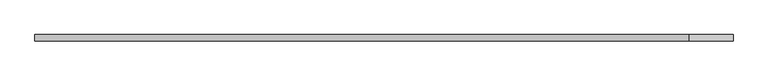
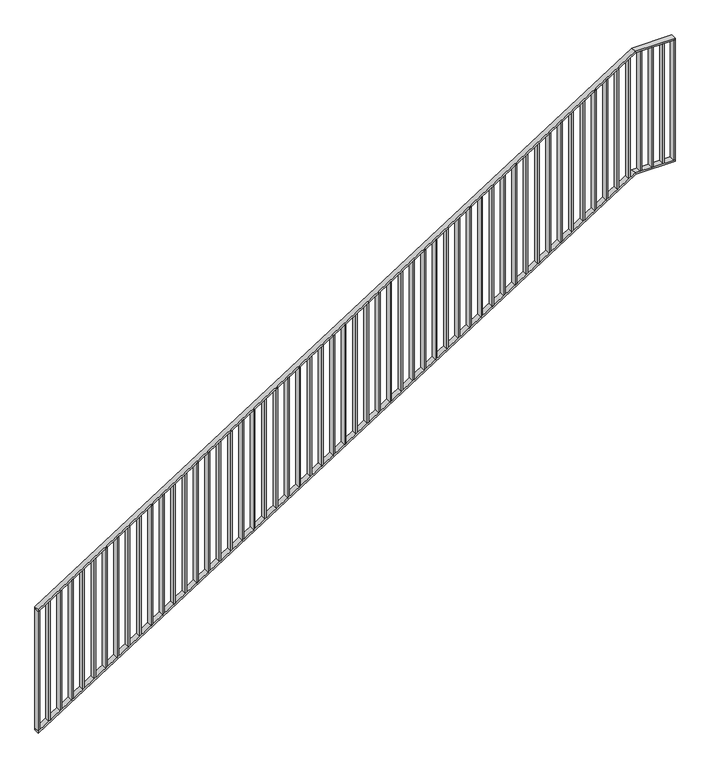
"""IFC4 building model written with IfcOpenShell, lengths in millimetres: railing geometry."""

import ifcopenshell
import ifcopenshell.guid

model = None  # the IFC model being written
_history = None  # IfcOwnerHistory: only IFC2X3 demands one
_inside = {}  # id of a spatial element -> (the spatial element, [elements in it])
_under = {}  # id of a project, library or spatial element -> (it, [spatial elements below it])
_declared = {}  # id of a project -> (the project, [libraries it declares])
_typed = {}  # id of a type object -> (the type object, [elements of that type])
_made_of = {}  # id of a material, layer set ... -> (it, [elements and type objects made of it])


def new_model(schema):
    """Start an empty IFC model of exactly this schema.

    Asked for "IFC4X3", IfcOpenShell would pick the latest addendum, in which some entities
    have other attributes; the version numbers below select the first issue.
    IFC2X3 requires an IfcOwnerHistory on every rooted entity: one is made here for all.
    """
    global model, _history
    if schema == "IFC4X3":
        model = ifcopenshell.file(schema_version=(4, 3, 0, 0))
    else:
        model = ifcopenshell.file(schema=schema)
    _inside.clear()
    _under.clear()
    _declared.clear()
    _typed.clear()
    _made_of.clear()
    _history = None
    if model.schema == "IFC2X3":
        org = make("IfcOrganization", Name="unknown")
        user = make(
            "IfcPersonAndOrganization",
            ThePerson=make("IfcPerson", FamilyName="unknown"),
            TheOrganization=org,
        )
        app = make(
            "IfcApplication",
            ApplicationDeveloper=org,
            Version="unknown",
            ApplicationFullName="unknown",
            ApplicationIdentifier="unknown",
        )
        _history = make(
            "IfcOwnerHistory",
            OwningUser=user,
            OwningApplication=app,
            ChangeAction="ADDED",
            CreationDate=0,
        )
    return model


def make(cls, **values):
    """One entity of the class cls with the attributes given. An attribute that is None is left unset."""
    return model.create_entity(
        cls, **{name: value for name, value in values.items() if value is not None}
    )


def rooted(cls, **values):
    """An entity with a GlobalId (a new one), such as an element, a storey or a relation."""
    return make(cls, GlobalId=ifcopenshell.guid.new(), OwnerHistory=_history, **values)


def si_unit(unit_type, name, prefix=None):
    """IfcSIUnit, for example si_unit("LENGTHUNIT", "METRE", prefix="MILLI")."""
    return make("IfcSIUnit", UnitType=unit_type, Prefix=prefix, Name=name)


def assignment(units):
    """IfcUnitAssignment: the units of a project."""
    return None if units is None else make("IfcUnitAssignment", Units=units)


def point(xyz):
    """IfcCartesianPoint."""
    return None if xyz is None else make("IfcCartesianPoint", Coordinates=xyz)


def direction(xyz):
    """IfcDirection."""
    return None if xyz is None else make("IfcDirection", DirectionRatios=xyz)


def frame(location, z_axis=None, x_axis=None):
    """IfcAxis2Placement3D, a coordinate frame: its origin and axes. An axis left out is left unset."""
    return make(
        "IfcAxis2Placement3D",
        Location=point(location),
        Axis=direction(z_axis),
        RefDirection=direction(x_axis),
    )


def origin():
    """The frame at (0, 0, 0) with its axes left unset."""
    return frame((0.0, 0.0, 0.0))


def place(relative_to, where):
    """IfcLocalPlacement: puts the frame where relative to a parent placement (None: the world)."""
    return make(
        "IfcLocalPlacement", PlacementRelTo=relative_to, RelativePlacement=where
    )


def context(
    kind, dimensions, precision=None, world=None, true_north=None, identifier=None
):
    """IfcGeometricRepresentationContext, for example the 3D "Model" context."""
    return make(
        "IfcGeometricRepresentationContext",
        ContextIdentifier=identifier,
        ContextType=kind,
        CoordinateSpaceDimension=dimensions,
        Precision=precision,
        WorldCoordinateSystem=world,
        TrueNorth=true_north,
    )


def project(units=None, contexts=None):
    """IfcProject with its units and contexts."""
    return rooted(
        "IfcProject",
        Name="project",
        RepresentationContexts=contexts,
        UnitsInContext=assignment(units),
    )


def spatial(cls, under=None, at=None, **own):
    """A site, building, storey or space (cls), placed at a placement, below another one or the project."""
    s = rooted(cls, ObjectPlacement=at, **own)
    if under is not None:
        _under.setdefault(under.id(), (under, []))[1].append(s)
    return s


def polyline(points):
    """IfcPolyline through the points."""
    return make("IfcPolyline", Points=[point(p) for p in points])


def outline(outer, holes=None, kind="AREA"):
    """IfcArbitraryClosedProfileDef: a profile drawn as a closed curve; with holes, ...WithVoids."""
    if holes is None:
        return make("IfcArbitraryClosedProfileDef", ProfileType=kind, OuterCurve=outer)
    return make(
        "IfcArbitraryProfileDefWithVoids",
        ProfileType=kind,
        OuterCurve=outer,
        InnerCurves=holes,
    )


def extrude(swept, where, along, depth):
    """IfcExtrudedAreaSolid: the profile swept, set in the frame where, extruded along a direction by depth."""
    return make(
        "IfcExtrudedAreaSolid",
        SweptArea=swept,
        Position=where,
        ExtrudedDirection=direction(along),
        Depth=depth,
    )


def faces_of(points, faces, orient=None, outer=None):
    """IfcFace entities. A face is a list of loops; a loop is a list of indices into points, from 0.

    orient and outer hold one flag for each loop. By default every Orientation is true, the
    first loop of a face is its IfcFaceOuterBound and the others are IfcFaceBound.
    """
    made = []
    for i, loops in enumerate(faces):
        bounds = []
        for j, loop in enumerate(loops):
            is_outer = j == 0 if outer is None else outer[i][j]
            bounds.append(
                make(
                    "IfcFaceOuterBound" if is_outer else "IfcFaceBound",
                    Bound=make("IfcPolyLoop", Polygon=[points[k] for k in loop]),
                    Orientation=True if orient is None else orient[i][j],
                )
            )
        made.append(make("IfcFace", Bounds=bounds))
    return made


def faceted_brep(points, faces, orient=None, outer=None, voids=None):
    """IfcFacetedBrep: a solid bounded by flat faces; with voids (closed shells), ...WithVoids."""
    shared = [point(p) for p in points]
    hull = make("IfcClosedShell", CfsFaces=faces_of(shared, faces, orient, outer))
    if voids is None:
        return make("IfcFacetedBrep", Outer=hull)
    return make(
        "IfcFacetedBrepWithVoids",
        Outer=hull,
        Voids=[
            make(cls, CfsFaces=faces_of(shared, fs, o, b)) for cls, fs, o, b in voids
        ],
    )


def shape(context_of_items, identifier, shape_type, items):
    """IfcShapeRepresentation: the items that make up one representation, for example the "Body"."""
    return make(
        "IfcShapeRepresentation",
        ContextOfItems=context_of_items,
        RepresentationIdentifier=identifier,
        RepresentationType=shape_type,
        Items=items,
    )


def source(mapping_origin, context_of_items, identifier, shape_type, items):
    """IfcRepresentationMap: a shape defined once, which mapped items show again and again."""
    return make(
        "IfcRepresentationMap",
        MappingOrigin=mapping_origin,
        MappedRepresentation=shape(context_of_items, identifier, shape_type, items),
    )


def transform(
    local_origin,
    x_axis=None,
    y_axis=None,
    z_axis=None,
    scale=None,
    scale2=None,
    scale3=None,
    uniform=True,
):
    """IfcCartesianTransformationOperator3D, or its non-uniform kind. x_axis, y_axis, z_axis: its Axis1, 2, 3."""
    if uniform:
        return make(
            "IfcCartesianTransformationOperator3D",
            Axis1=direction(x_axis),
            Axis2=direction(y_axis),
            LocalOrigin=point(local_origin),
            Scale=scale,
            Axis3=direction(z_axis),
        )
    return make(
        "IfcCartesianTransformationOperator3DnonUniform",
        Axis1=direction(x_axis),
        Axis2=direction(y_axis),
        LocalOrigin=point(local_origin),
        Scale=scale,
        Axis3=direction(z_axis),
        Scale2=scale2,
        Scale3=scale3,
    )


def mapped(mapping_source, mapping_target):
    """IfcMappedItem: shows the shape of a source again, moved by a transform."""
    return make(
        "IfcMappedItem", MappingSource=mapping_source, MappingTarget=mapping_target
    )


def made_of(thing, what):
    """Note that an element or type object is made of a material, layer set ...; save() writes the relation."""
    if what is not None:
        _made_of.setdefault(what.id(), (what, []))[1].append(thing)
    return thing


def element(
    cls,
    number,
    at=None,
    inside=None,
    cuts=None,
    type_object=None,
    material=None,
    context=None,
    identifier="Body",
    shape_type=None,
    held_by="IfcProductDefinitionShape",
    body=None,
    shapes=None,
    **own,
):
    """One element of the class cls, such as IfcWall. Its Tag is "e" and its number.

    at: its placement. inside: the storey or other place that contains it. cuts: it is an
    opening in that element (IfcRelVoidsElement). A single representation is given by context,
    identifier, shape_type and body (its items); several are given by shapes. held_by: the class
    of the entity that holds the representations. save() writes the other relations.
    """
    e = rooted(cls, Tag="e%d" % number, ObjectPlacement=at, **own)
    if body is not None:
        shapes = [shape(context, identifier, shape_type, body)]
    if shapes is not None:
        e.Representation = make(held_by, Representations=shapes)
    if inside is not None:
        _inside.setdefault(inside.id(), (inside, []))[1].append(e)
    if cuts is not None:
        rooted(
            "IfcRelVoidsElement", RelatingBuildingElement=cuts, RelatedOpeningElement=e
        )
    if type_object is not None:
        _typed.setdefault(type_object.id(), (type_object, []))[1].append(e)
    return made_of(e, material)


def aggregate(whole, parts):
    """IfcRelAggregates: a whole, such as a stair, and the parts it consists of."""
    return rooted("IfcRelAggregates", RelatingObject=whole, RelatedObjects=parts)


def save(model, path):
    """Write the relations noted so far, then the file.

    IfcRelAggregates (storeys below a building ...), IfcRelContainedInSpatialStructure (elements
    in a storey), IfcRelDefinesByType, IfcRelAssociatesMaterial and IfcRelDeclares: one each for
    every whole, place, type object, material and project.
    """
    for whole, parts in _under.values():
        aggregate(whole, parts)
    for where, things in _inside.values():
        rooted(
            "IfcRelContainedInSpatialStructure",
            RelatedElements=things,
            RelatingStructure=where,
        )
    for kind, things in _typed.values():
        rooted("IfcRelDefinesByType", RelatedObjects=things, RelatingType=kind)
    for what, things in _made_of.values():
        rooted("IfcRelAssociatesMaterial", RelatedObjects=things, RelatingMaterial=what)
    for by, libraries in _declared.values():
        rooted("IfcRelDeclares", RelatingContext=by, RelatedDefinitions=libraries)
    model.write(path)


def railing_b2394c91(model_context):
    return source(origin(), model_context, "Body", "SolidModel", [
        faceted_brep([(90020.0, -14.6, 1178.125), (90020.0, 25.4, 1178.125), (90020.0, 25.4, 1166.2576574), (90020.0, -14.6, 1166.2576574), (94201.25, -14.6, 3850.0), (94201.25, 25.4, 3850.0), (94204.1722273, 25.4, 3840.0), (94204.1722273, -14.6, 3840.0), (94480.0, -14.6, 3850.0), (94480.0, -14.6, 3840.0), (94480.0, 25.4, 3840.0), (94480.0, 25.4, 3850.0)], [[[0, 1, 2, 3]], [[1, 0, 4, 5]], [[2, 1, 5, 6]], [[3, 2, 6, 7]], [[0, 3, 7, 4]], [[8, 9, 10, 11]], [[5, 4, 8, 11]], [[6, 5, 11, 10]], [[7, 6, 10, 9]], [[4, 7, 9, 8]]]),
        faceted_brep([(90020.0, -14.6, 278.125), (90020.0, 25.4, 278.125), (90020.0, 25.4, 266.2576574), (90020.0, -14.6, 266.2576574), (94201.25, -14.6, 2950.0), (94201.25, 25.4, 2950.0), (94204.1722273, 25.4, 2940.0), (94204.1722273, -14.6, 2940.0), (94480.0, -14.6, 2950.0), (94480.0, -14.6, 2940.0), (94480.0, 25.4, 2940.0), (94480.0, 25.4, 2950.0)], [[[0, 1, 2, 3]], [[1, 0, 4, 5]], [[2, 1, 5, 6]], [[3, 2, 6, 7]], [[0, 3, 7, 4]], [[8, 9, 10, 11]], [[5, 4, 8, 11]], [[6, 5, 11, 10]], [[7, 6, 10, 9]], [[4, 7, 9, 8]]]),
        extrude(outline(polyline([(94395.3571429, -14.6), (94395.3571429, 25.4), (94405.3571429, 25.4), (94405.3571429, -14.6), (94395.3571429, -14.6)])), frame((0.0, 0.0, 2950.0), z_axis=(0.0, 0.0, 1.0), x_axis=(1.0, 0.0, 0.0)), (0.0, 0.0, 1.0), 890.0),
        extrude(outline(polyline([(94315.7142857, -14.6), (94315.7142857, 25.4), (94325.7142857, 25.4), (94325.7142857, -14.6), (94315.7142857, -14.6)])), frame((0.0, 0.0, 2950.0), z_axis=(0.0, 0.0, 1.0), x_axis=(1.0, 0.0, 0.0)), (0.0, 0.0, 1.0), 890.0),
        extrude(outline(polyline([(94236.0714286, -14.6), (94236.0714286, 25.4), (94246.0714286, 25.4), (94246.0714286, -14.6), (94236.0714286, -14.6)])), frame((0.0, 0.0, 2950.0), z_axis=(0.0, 0.0, 1.0), x_axis=(1.0, 0.0, 0.0)), (0.0, 0.0, 1.0), 890.0),
        extrude(outline(polyline([(3811.3585042, 94156.4285714), (2921.3585042, 94156.4285714), (2927.7486387, 94166.4285714), (3817.7486387, 94166.4285714), (3811.3585042, 94156.4285714)])), frame((0.0, -14.6, 0.0), z_axis=(0.0, 1.0, 0.0), x_axis=(0.0, 0.0, 1.0)), (0.0, 0.0, 1.0), 40.0),
        extrude(outline(polyline([(3760.465647, 94076.7857143), (2870.465647, 94076.7857143), (2876.8557816, 94086.7857143), (3766.8557816, 94086.7857143), (3760.465647, 94076.7857143)])), frame((0.0, -14.6, 0.0), z_axis=(0.0, 1.0, 0.0), x_axis=(0.0, 0.0, 1.0)), (0.0, 0.0, 1.0), 40.0),
        extrude(outline(polyline([(3709.5727899, 93997.1428571), (2819.5727899, 93997.1428571), (2825.9629244, 94007.1428571), (3715.9629244, 94007.1428571), (3709.5727899, 93997.1428571)])), frame((0.0, -14.6, 0.0), z_axis=(0.0, 1.0, 0.0), x_axis=(0.0, 0.0, 1.0)), (0.0, 0.0, 1.0), 40.0),
        extrude(outline(polyline([(3658.6799327, 93917.5), (2768.6799327, 93917.5), (2775.0700673, 93927.5), (3665.0700673, 93927.5), (3658.6799327, 93917.5)])), frame((0.0, -14.6, 0.0), z_axis=(0.0, 1.0, 0.0), x_axis=(0.0, 0.0, 1.0)), (0.0, 0.0, 1.0), 40.0),
        extrude(outline(polyline([(3607.7870756, 93837.8571429), (2717.7870756, 93837.8571429), (2724.1772101, 93847.8571429), (3614.1772101, 93847.8571429), (3607.7870756, 93837.8571429)])), frame((0.0, -14.6, 0.0), z_axis=(0.0, 1.0, 0.0), x_axis=(0.0, 0.0, 1.0)), (0.0, 0.0, 1.0), 40.0),
        extrude(outline(polyline([(3556.8942184, 93758.2142857), (2666.8942184, 93758.2142857), (2673.284353, 93768.2142857), (3563.284353, 93768.2142857), (3556.8942184, 93758.2142857)])), frame((0.0, -14.6, 0.0), z_axis=(0.0, 1.0, 0.0), x_axis=(0.0, 0.0, 1.0)), (0.0, 0.0, 1.0), 40.0),
        extrude(outline(polyline([(3506.0013613, 93678.5714286), (2616.0013613, 93678.5714286), (2622.3914958, 93688.5714286), (3512.3914958, 93688.5714286), (3506.0013613, 93678.5714286)])), frame((0.0, -14.6, 0.0), z_axis=(0.0, 1.0, 0.0), x_axis=(0.0, 0.0, 1.0)), (0.0, 0.0, 1.0), 40.0),
        extrude(outline(polyline([(3455.1085042, 93598.9285714), (2565.1085042, 93598.9285714), (2571.4986387, 93608.9285714), (3461.4986387, 93608.9285714), (3455.1085042, 93598.9285714)])), frame((0.0, -14.6, 0.0), z_axis=(0.0, 1.0, 0.0), x_axis=(0.0, 0.0, 1.0)), (0.0, 0.0, 1.0), 40.0),
        extrude(outline(polyline([(3404.215647, 93519.2857143), (2514.215647, 93519.2857143), (2520.6057816, 93529.2857143), (3410.6057816, 93529.2857143), (3404.215647, 93519.2857143)])), frame((0.0, -14.6, 0.0), z_axis=(0.0, 1.0, 0.0), x_axis=(0.0, 0.0, 1.0)), (0.0, 0.0, 1.0), 40.0),
        extrude(outline(polyline([(3353.3227899, 93439.6428571), (2463.3227899, 93439.6428571), (2469.7129244, 93449.6428571), (3359.7129244, 93449.6428571), (3353.3227899, 93439.6428571)])), frame((0.0, -14.6, 0.0), z_axis=(0.0, 1.0, 0.0), x_axis=(0.0, 0.0, 1.0)), (0.0, 0.0, 1.0), 40.0),
        extrude(outline(polyline([(3302.4299327, 93360.0), (2412.4299327, 93360.0), (2418.8200673, 93370.0), (3308.8200673, 93370.0), (3302.4299327, 93360.0)])), frame((0.0, -14.6, 0.0), z_axis=(0.0, 1.0, 0.0), x_axis=(0.0, 0.0, 1.0)), (0.0, 0.0, 1.0), 40.0),
        extrude(outline(polyline([(3251.5370756, 93280.3571429), (2361.5370756, 93280.3571429), (2367.9272101, 93290.3571429), (3257.9272101, 93290.3571429), (3251.5370756, 93280.3571429)])), frame((0.0, -14.6, 0.0), z_axis=(0.0, 1.0, 0.0), x_axis=(0.0, 0.0, 1.0)), (0.0, 0.0, 1.0), 40.0),
        extrude(outline(polyline([(3200.6442184, 93200.7142857), (2310.6442184, 93200.7142857), (2317.034353, 93210.7142857), (3207.034353, 93210.7142857), (3200.6442184, 93200.7142857)])), frame((0.0, -14.6, 0.0), z_axis=(0.0, 1.0, 0.0), x_axis=(0.0, 0.0, 1.0)), (0.0, 0.0, 1.0), 40.0),
        extrude(outline(polyline([(3149.7513613, 93121.0714286), (2259.7513613, 93121.0714286), (2266.1414958, 93131.0714286), (3156.1414958, 93131.0714286), (3149.7513613, 93121.0714286)])), frame((0.0, -14.6, 0.0), z_axis=(0.0, 1.0, 0.0), x_axis=(0.0, 0.0, 1.0)), (0.0, 0.0, 1.0), 40.0),
        extrude(outline(polyline([(3098.8585042, 93041.4285714), (2208.8585042, 93041.4285714), (2215.2486387, 93051.4285714), (3105.2486387, 93051.4285714), (3098.8585042, 93041.4285714)])), frame((0.0, -14.6, 0.0), z_axis=(0.0, 1.0, 0.0), x_axis=(0.0, 0.0, 1.0)), (0.0, 0.0, 1.0), 40.0),
        extrude(outline(polyline([(3047.965647, 92961.7857143), (2157.965647, 92961.7857143), (2164.3557816, 92971.7857143), (3054.3557816, 92971.7857143), (3047.965647, 92961.7857143)])), frame((0.0, -14.6, 0.0), z_axis=(0.0, 1.0, 0.0), x_axis=(0.0, 0.0, 1.0)), (0.0, 0.0, 1.0), 40.0),
        extrude(outline(polyline([(2997.0727899, 92882.1428571), (2107.0727899, 92882.1428571), (2113.4629244, 92892.1428571), (3003.4629244, 92892.1428571), (2997.0727899, 92882.1428571)])), frame((0.0, -14.6, 0.0), z_axis=(0.0, 1.0, 0.0), x_axis=(0.0, 0.0, 1.0)), (0.0, 0.0, 1.0), 40.0),
        extrude(outline(polyline([(2946.1799327, 92802.5), (2056.1799327, 92802.5), (2062.5700673, 92812.5), (2952.5700673, 92812.5), (2946.1799327, 92802.5)])), frame((0.0, -14.6, 0.0), z_axis=(0.0, 1.0, 0.0), x_axis=(0.0, 0.0, 1.0)), (0.0, 0.0, 1.0), 40.0),
        extrude(outline(polyline([(2895.2870756, 92722.8571429), (2005.2870756, 92722.8571429), (2011.6772101, 92732.8571429), (2901.6772101, 92732.8571429), (2895.2870756, 92722.8571429)])), frame((0.0, -14.6, 0.0), z_axis=(0.0, 1.0, 0.0), x_axis=(0.0, 0.0, 1.0)), (0.0, 0.0, 1.0), 40.0),
        extrude(outline(polyline([(2844.3942184, 92643.2142857), (1954.3942184, 92643.2142857), (1960.784353, 92653.2142857), (2850.784353, 92653.2142857), (2844.3942184, 92643.2142857)])), frame((0.0, -14.6, 0.0), z_axis=(0.0, 1.0, 0.0), x_axis=(0.0, 0.0, 1.0)), (0.0, 0.0, 1.0), 40.0),
        extrude(outline(polyline([(2793.5013613, 92563.5714286), (1903.5013613, 92563.5714286), (1909.8914958, 92573.5714286), (2799.8914958, 92573.5714286), (2793.5013613, 92563.5714286)])), frame((0.0, -14.6, 0.0), z_axis=(0.0, 1.0, 0.0), x_axis=(0.0, 0.0, 1.0)), (0.0, 0.0, 1.0), 40.0),
        extrude(outline(polyline([(2742.6085042, 92483.9285714), (1852.6085042, 92483.9285714), (1858.9986387, 92493.9285714), (2748.9986387, 92493.9285714), (2742.6085042, 92483.9285714)])), frame((0.0, -14.6, 0.0), z_axis=(0.0, 1.0, 0.0), x_axis=(0.0, 0.0, 1.0)), (0.0, 0.0, 1.0), 40.0),
        extrude(outline(polyline([(2691.715647, 92404.2857143), (1801.715647, 92404.2857143), (1808.1057816, 92414.2857143), (2698.1057816, 92414.2857143), (2691.715647, 92404.2857143)])), frame((0.0, -14.6, 0.0), z_axis=(0.0, 1.0, 0.0), x_axis=(0.0, 0.0, 1.0)), (0.0, 0.0, 1.0), 40.0),
        extrude(outline(polyline([(2640.8227899, 92324.6428571), (1750.8227899, 92324.6428571), (1757.2129244, 92334.6428571), (2647.2129244, 92334.6428571), (2640.8227899, 92324.6428571)])), frame((0.0, -14.6, 0.0), z_axis=(0.0, 1.0, 0.0), x_axis=(0.0, 0.0, 1.0)), (0.0, 0.0, 1.0), 40.0),
        extrude(outline(polyline([(2589.9299327, 92245.0), (1699.9299327, 92245.0), (1706.3200673, 92255.0), (2596.3200673, 92255.0), (2589.9299327, 92245.0)])), frame((0.0, -14.6, 0.0), z_axis=(0.0, 1.0, 0.0), x_axis=(0.0, 0.0, 1.0)), (0.0, 0.0, 1.0), 40.0),
        extrude(outline(polyline([(2539.0370756, 92165.3571429), (1649.0370756, 92165.3571429), (1655.4272101, 92175.3571429), (2545.4272101, 92175.3571429), (2539.0370756, 92165.3571429)])), frame((0.0, -14.6, 0.0), z_axis=(0.0, 1.0, 0.0), x_axis=(0.0, 0.0, 1.0)), (0.0, 0.0, 1.0), 40.0),
        extrude(outline(polyline([(2488.1442184, 92085.7142857), (1598.1442184, 92085.7142857), (1604.534353, 92095.7142857), (2494.534353, 92095.7142857), (2488.1442184, 92085.7142857)])), frame((0.0, -14.6, 0.0), z_axis=(0.0, 1.0, 0.0), x_axis=(0.0, 0.0, 1.0)), (0.0, 0.0, 1.0), 40.0),
        extrude(outline(polyline([(2437.2513613, 92006.0714286), (1547.2513613, 92006.0714286), (1553.6414958, 92016.0714286), (2443.6414958, 92016.0714286), (2437.2513613, 92006.0714286)])), frame((0.0, -14.6, 0.0), z_axis=(0.0, 1.0, 0.0), x_axis=(0.0, 0.0, 1.0)), (0.0, 0.0, 1.0), 40.0),
        extrude(outline(polyline([(2386.3585042, 91926.4285714), (1496.3585042, 91926.4285714), (1502.7486387, 91936.4285714), (2392.7486387, 91936.4285714), (2386.3585042, 91926.4285714)])), frame((0.0, -14.6, 0.0), z_axis=(0.0, 1.0, 0.0), x_axis=(0.0, 0.0, 1.0)), (0.0, 0.0, 1.0), 40.0),
        extrude(outline(polyline([(2335.465647, 91846.7857143), (1445.465647, 91846.7857143), (1451.8557816, 91856.7857143), (2341.8557816, 91856.7857143), (2335.465647, 91846.7857143)])), frame((0.0, -14.6, 0.0), z_axis=(0.0, 1.0, 0.0), x_axis=(0.0, 0.0, 1.0)), (0.0, 0.0, 1.0), 40.0),
        extrude(outline(polyline([(2284.5727899, 91767.1428571), (1394.5727899, 91767.1428571), (1400.9629244, 91777.1428571), (2290.9629244, 91777.1428571), (2284.5727899, 91767.1428571)])), frame((0.0, -14.6, 0.0), z_axis=(0.0, 1.0, 0.0), x_axis=(0.0, 0.0, 1.0)), (0.0, 0.0, 1.0), 40.0),
        extrude(outline(polyline([(2233.6799327, 91687.5), (1343.6799327, 91687.5), (1350.0700673, 91697.5), (2240.0700673, 91697.5), (2233.6799327, 91687.5)])), frame((0.0, -14.6, 0.0), z_axis=(0.0, 1.0, 0.0), x_axis=(0.0, 0.0, 1.0)), (0.0, 0.0, 1.0), 40.0),
        extrude(outline(polyline([(2182.7870756, 91607.8571429), (1292.7870756, 91607.8571429), (1299.1772101, 91617.8571429), (2189.1772101, 91617.8571429), (2182.7870756, 91607.8571429)])), frame((0.0, -14.6, 0.0), z_axis=(0.0, 1.0, 0.0), x_axis=(0.0, 0.0, 1.0)), (0.0, 0.0, 1.0), 40.0),
        extrude(outline(polyline([(2131.8942184, 91528.2142857), (1241.8942184, 91528.2142857), (1248.284353, 91538.2142857), (2138.284353, 91538.2142857), (2131.8942184, 91528.2142857)])), frame((0.0, -14.6, 0.0), z_axis=(0.0, 1.0, 0.0), x_axis=(0.0, 0.0, 1.0)), (0.0, 0.0, 1.0), 40.0),
        extrude(outline(polyline([(2081.0013613, 91448.5714286), (1191.0013613, 91448.5714286), (1197.3914958, 91458.5714286), (2087.3914958, 91458.5714286), (2081.0013613, 91448.5714286)])), frame((0.0, -14.6, 0.0), z_axis=(0.0, 1.0, 0.0), x_axis=(0.0, 0.0, 1.0)), (0.0, 0.0, 1.0), 40.0),
        extrude(outline(polyline([(2030.1085042, 91368.9285714), (1140.1085042, 91368.9285714), (1146.4986387, 91378.9285714), (2036.4986387, 91378.9285714), (2030.1085042, 91368.9285714)])), frame((0.0, -14.6, 0.0), z_axis=(0.0, 1.0, 0.0), x_axis=(0.0, 0.0, 1.0)), (0.0, 0.0, 1.0), 40.0),
        extrude(outline(polyline([(1979.215647, 91289.2857143), (1089.215647, 91289.2857143), (1095.6057816, 91299.2857143), (1985.6057816, 91299.2857143), (1979.215647, 91289.2857143)])), frame((0.0, -14.6, 0.0), z_axis=(0.0, 1.0, 0.0), x_axis=(0.0, 0.0, 1.0)), (0.0, 0.0, 1.0), 40.0),
        extrude(outline(polyline([(1928.3227899, 91209.6428571), (1038.3227899, 91209.6428571), (1044.7129244, 91219.6428571), (1934.7129244, 91219.6428571), (1928.3227899, 91209.6428571)])), frame((0.0, -14.6, 0.0), z_axis=(0.0, 1.0, 0.0), x_axis=(0.0, 0.0, 1.0)), (0.0, 0.0, 1.0), 40.0),
        extrude(outline(polyline([(1877.4299327, 91130.0), (987.4299327, 91130.0), (993.8200673, 91140.0), (1883.8200673, 91140.0), (1877.4299327, 91130.0)])), frame((0.0, -14.6, 0.0), z_axis=(0.0, 1.0, 0.0), x_axis=(0.0, 0.0, 1.0)), (0.0, 0.0, 1.0), 40.0),
        extrude(outline(polyline([(1826.5370756, 91050.3571429), (936.5370756, 91050.3571429), (942.9272101, 91060.3571429), (1832.9272101, 91060.3571429), (1826.5370756, 91050.3571429)])), frame((0.0, -14.6, 0.0), z_axis=(0.0, 1.0, 0.0), x_axis=(0.0, 0.0, 1.0)), (0.0, 0.0, 1.0), 40.0),
        extrude(outline(polyline([(1775.6442184, 90970.7142857), (885.6442184, 90970.7142857), (892.034353, 90980.7142857), (1782.034353, 90980.7142857), (1775.6442184, 90970.7142857)])), frame((0.0, -14.6, 0.0), z_axis=(0.0, 1.0, 0.0), x_axis=(0.0, 0.0, 1.0)), (0.0, 0.0, 1.0), 40.0),
        extrude(outline(polyline([(1724.7513613, 90891.0714286), (834.7513613, 90891.0714286), (841.1414958, 90901.0714286), (1731.1414958, 90901.0714286), (1724.7513613, 90891.0714286)])), frame((0.0, -14.6, 0.0), z_axis=(0.0, 1.0, 0.0), x_axis=(0.0, 0.0, 1.0)), (0.0, 0.0, 1.0), 40.0),
        extrude(outline(polyline([(1673.8585042, 90811.4285714), (783.8585042, 90811.4285714), (790.2486387, 90821.4285714), (1680.2486387, 90821.4285714), (1673.8585042, 90811.4285714)])), frame((0.0, -14.6, 0.0), z_axis=(0.0, 1.0, 0.0), x_axis=(0.0, 0.0, 1.0)), (0.0, 0.0, 1.0), 40.0),
        extrude(outline(polyline([(1622.965647, 90731.7857143), (732.965647, 90731.7857143), (739.3557816, 90741.7857143), (1629.3557816, 90741.7857143), (1622.965647, 90731.7857143)])), frame((0.0, -14.6, 0.0), z_axis=(0.0, 1.0, 0.0), x_axis=(0.0, 0.0, 1.0)), (0.0, 0.0, 1.0), 40.0),
        extrude(outline(polyline([(1572.0727899, 90652.1428571), (682.0727899, 90652.1428571), (688.4629244, 90662.1428571), (1578.4629244, 90662.1428571), (1572.0727899, 90652.1428571)])), frame((0.0, -14.6, 0.0), z_axis=(0.0, 1.0, 0.0), x_axis=(0.0, 0.0, 1.0)), (0.0, 0.0, 1.0), 40.0),
        extrude(outline(polyline([(1521.1799327, 90572.5), (631.1799327, 90572.5), (637.5700673, 90582.5), (1527.5700673, 90582.5), (1521.1799327, 90572.5)])), frame((0.0, -14.6, 0.0), z_axis=(0.0, 1.0, 0.0), x_axis=(0.0, 0.0, 1.0)), (0.0, 0.0, 1.0), 40.0),
        extrude(outline(polyline([(1470.2870756, 90492.8571429), (580.2870756, 90492.8571429), (586.6772101, 90502.8571429), (1476.6772101, 90502.8571429), (1470.2870756, 90492.8571429)])), frame((0.0, -14.6, 0.0), z_axis=(0.0, 1.0, 0.0), x_axis=(0.0, 0.0, 1.0)), (0.0, 0.0, 1.0), 40.0),
        extrude(outline(polyline([(1419.3942184, 90413.2142857), (529.3942184, 90413.2142857), (535.784353, 90423.2142857), (1425.784353, 90423.2142857), (1419.3942184, 90413.2142857)])), frame((0.0, -14.6, 0.0), z_axis=(0.0, 1.0, 0.0), x_axis=(0.0, 0.0, 1.0)), (0.0, 0.0, 1.0), 40.0),
        extrude(outline(polyline([(1368.5013613, 90333.5714286), (478.5013613, 90333.5714286), (484.8914958, 90343.5714286), (1374.8914958, 90343.5714286), (1368.5013613, 90333.5714286)])), frame((0.0, -14.6, 0.0), z_axis=(0.0, 1.0, 0.0), x_axis=(0.0, 0.0, 1.0)), (0.0, 0.0, 1.0), 40.0),
        extrude(outline(polyline([(1317.6085042, 90253.9285714), (427.6085042, 90253.9285714), (433.9986387, 90263.9285714), (1323.9986387, 90263.9285714), (1317.6085042, 90253.9285714)])), frame((0.0, -14.6, 0.0), z_axis=(0.0, 1.0, 0.0), x_axis=(0.0, 0.0, 1.0)), (0.0, 0.0, 1.0), 40.0),
        extrude(outline(polyline([(1266.715647, 90174.2857143), (376.715647, 90174.2857143), (383.1057816, 90184.2857143), (1273.1057816, 90184.2857143), (1266.715647, 90174.2857143)])), frame((0.0, -14.6, 0.0), z_axis=(0.0, 1.0, 0.0), x_axis=(0.0, 0.0, 1.0)), (0.0, 0.0, 1.0), 40.0),
        extrude(outline(polyline([(1215.8227899, 90094.6428571), (325.8227899, 90094.6428571), (332.2129244, 90104.6428571), (1222.2129244, 90104.6428571), (1215.8227899, 90094.6428571)])), frame((0.0, -14.6, 0.0), z_axis=(0.0, 1.0, 0.0), x_axis=(0.0, 0.0, 1.0)), (0.0, 0.0, 1.0), 40.0),
        extrude(outline(polyline([(94470.0, -14.6), (94470.0, 25.4), (94480.0, 25.4), (94480.0, -14.6), (94470.0, -14.6)])), frame((0.0, 0.0, 2950.0), z_axis=(0.0, 0.0, 1.0), x_axis=(1.0, 0.0, 0.0)), (0.0, 0.0, 1.0), 890.0),
        extrude(outline(polyline([(1168.125, 90020.0), (278.125, 90020.0), (284.5151345, 90030.0), (1174.5151345, 90030.0), (1168.125, 90020.0)])), frame((0.0, -14.6, 0.0), z_axis=(0.0, 1.0, 0.0), x_axis=(0.0, 0.0, 1.0)), (0.0, 0.0, 1.0), 40.0),
    ])


if __name__ == "__main__":
    model = new_model("IFC4")
    model_context = context("Model", 3, world=origin())
    ifc_project = project(units=[si_unit("LENGTHUNIT", "METRE", prefix="MILLI")], contexts=[model_context])
    site = spatial("IfcSite", under=ifc_project)
    building = spatial("IfcBuilding", under=site)
    placement = place(None, origin())
    railing_shape = railing_b2394c91(model_context)
    element("IfcRailing", 1, at=placement, inside=building, context=model_context, shape_type="MappedRepresentation", body=[
        mapped(railing_shape, transform((0.0, 0.0, 0.0), x_axis=(1.0, 0.0, 0.0), y_axis=(0.0, 1.0, 0.0), z_axis=(0.0, 0.0, 1.0))),
    ])
    save(model, "model.ifc")
